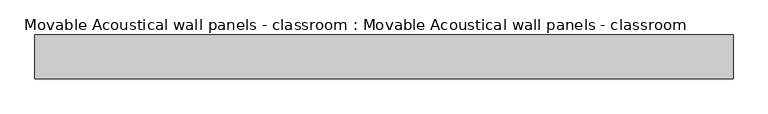
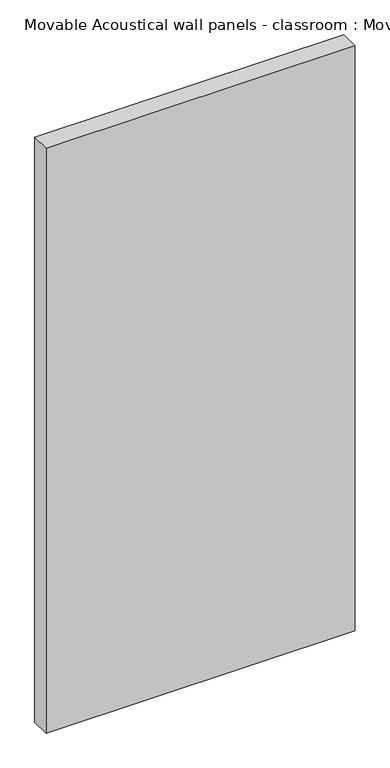
"""IFC4 building model written with IfcOpenShell, lengths in millimetres: proxy geometry, Movable Acoustical wall panels - classroom : Movable Acoustical wall panels - classroom."""

from ifc_helpers import new_model, si_unit, origin, origin_with_axes, place, context, project, spatial, polyline, outline, extrude, source, transform, mapped, element, save


def movable_acoustical_wall_panels_classroom_movable_acoustical_0c5f58b4(model_context):
    return source(origin(), model_context, "Body", "SweptSolid", [
        extrude(outline(polyline([(1219.2, 0.0), (0.0, 0.0), (0.0, 76.2), (1219.2, 76.2), (1219.2, 0.0)])), origin_with_axes(), (0.0, 0.0, 1.0), 2438.4),
    ])


if __name__ == "__main__":
    model = new_model("IFC4")
    model_context = context("Model", 3, world=origin())
    ifc_project = project(units=[si_unit("LENGTHUNIT", "METRE", prefix="MILLI")], contexts=[model_context])
    site = spatial("IfcSite", under=ifc_project)
    building = spatial("IfcBuilding", under=site)
    placement = place(None, origin())
    movable_acoustical_wall_panels_classroom_movable_acoustical_shape = movable_acoustical_wall_panels_classroom_movable_acoustical_0c5f58b4(model_context)
    element("IfcBuildingElementProxy", 1, Name="Movable Acoustical wall panels - classroom : Movable Acoustical wall panels - classroom", ObjectType="Movable Acoustical wall panels - classroom : Movable Acoustical wall panels - classroom", at=placement, inside=building, context=model_context, shape_type="MappedRepresentation", body=[
        mapped(movable_acoustical_wall_panels_classroom_movable_acoustical_shape, transform((0.0, 0.0, 0.0), x_axis=(1.0, 0.0, 0.0), y_axis=(0.0, 1.0, 0.0), z_axis=(0.0, 0.0, 1.0))),
    ])
    save(model, "model.ifc")
